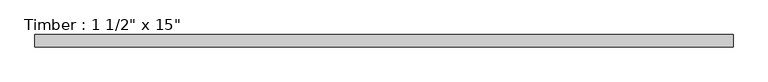
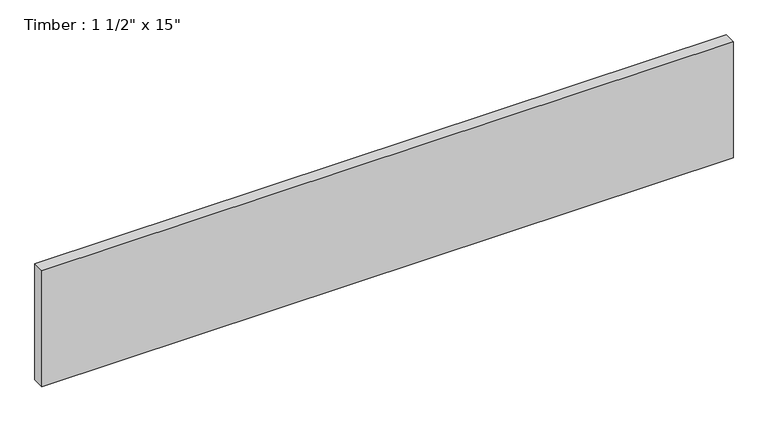
"""IFC4 building model written with IfcOpenShell, lengths in millimetres: beam geometry."""

from ifc_helpers import new_model, si_unit, frame, origin, place, context, project, spatial, polyline, outline, extrude, source, transform, mapped, element, save


def beam_d149b579(model_context):
    return source(origin(), model_context, "Body", "SweptSolid", [
        extrude(outline(polyline([(1075.4386473, 19.05), (1075.4386473, -19.05), (-1075.4386473, -19.05), (-1075.4386473, 19.05), (1075.4386473, 19.05)])), frame((0.0, 0.0, -190.5), z_axis=(0.0, 0.0, 1.0), x_axis=(1.0, 0.0, 0.0)), (0.0, 0.0, 1.0), 381.0),
    ])


if __name__ == "__main__":
    model = new_model("IFC4")
    model_context = context("Model", 3, world=origin())
    ifc_project = project(units=[si_unit("LENGTHUNIT", "METRE", prefix="MILLI")], contexts=[model_context])
    site = spatial("IfcSite", under=ifc_project)
    building = spatial("IfcBuilding", under=site)
    placement = place(None, origin())
    beam_shape = beam_d149b579(model_context)
    element("IfcBeam", 1, ObjectType="Timber : 1 1/2\" x 15\"", at=placement, inside=building, context=model_context, shape_type="MappedRepresentation", body=[
        mapped(beam_shape, transform((0.0, 0.0, 0.0), x_axis=(1.0, 0.0, 0.0), y_axis=(0.0, 1.0, 0.0), z_axis=(0.0, 0.0, 1.0))),
    ])
    save(model, "model.ifc")
